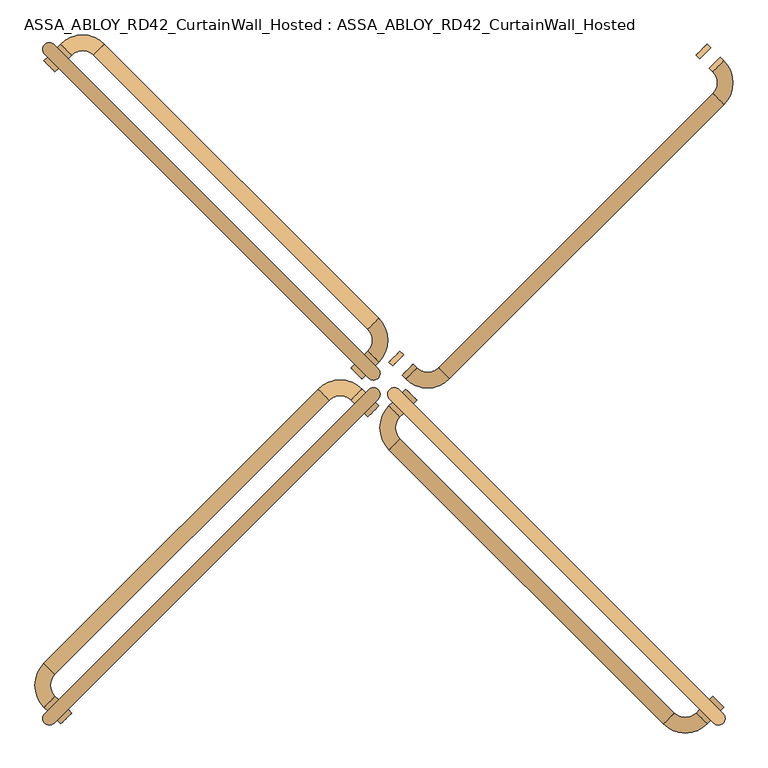
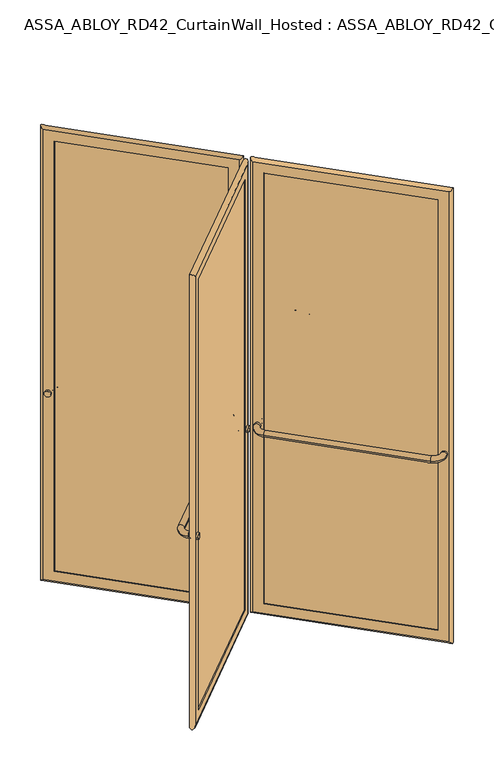
"""IFC4 building model written with IfcOpenShell, lengths in millimetres: door geometry, ASSA_ABLOY_RD42_CurtainWall_Hosted : ASSA_ABLOY_RD42_CurtainWall_Hosted."""

from ifc_helpers import new_model, si_unit, point, frame, origin, origin_2d, place, context, project, spatial, polyline, circle_curve, ellipse_curve, trimmed, segment, composite_curve, outline, extrude, source, transform, mapped, element, save
from ifc_brep_helpers import plane_surface, cylinder_surface, revolved_surface, advanced_brep


def assa_abloy_rd42_curtainwall_hosted_assa_abloy_rd42_9435c543(model_context):
    return source(origin(), model_context, "Body", "SolidModel", [
        extrude(outline(composite_curve([segment(trimmed(circle_curve(origin_2d(), 15.0), [point((0.0, 15.0))], [point((0.0, -15.0))], False, "CARTESIAN"), True, "CONTINUOUS"), segment(trimmed(circle_curve(origin_2d(), 15.0), [point((0.0, -15.0))], [point((0.0, 15.0))], False, "CARTESIAN"), True, "CONTINUOUS")], self_intersect=False)), frame((642.0529573, -623.668181, 1050.0), z_axis=(0.7071067811865496, 0.7071067811865455, 0.0), x_axis=(0.0, 0.0, 1.0)), (0.0, 0.0, 1.0), 10.0),
        extrude(outline(composite_curve([segment(trimmed(circle_curve(origin_2d(), 15.0), [point((0.0, 15.0))], [point((0.0, -15.0))], False, "CARTESIAN"), True, "CONTINUOUS"), segment(trimmed(circle_curve(origin_2d(), 15.0), [point((0.0, -15.0))], [point((0.0, 15.0))], False, "CARTESIAN"), True, "CONTINUOUS")], self_intersect=False)), frame((45.9619408, -27.5771645, 1050.0), z_axis=(0.7071067811865496, 0.7071067811865455, 0.0), x_axis=(0.0, 0.0, 1.0)), (0.0, 0.0, 1.0), 10.0),
        advanced_brep(
        [(16.9705627, -35.3553391, 1050.0), (38.1837662, -56.5685425, 1050.0), (9.8994949, -42.4264069, 1050.0), (31.1126984, -63.6396103, 1050.0), (31.1126984, -106.0660172, 1050.0), (9.8994949, -127.2792206, 1050.0), (542.3509012, -659.7306268, 1050.0), (563.5641046, -638.5174234, 1050.0), (605.9905115, -638.5174234, 1050.0), (627.2037149, -659.7306268, 1050.0), (634.2747827, -652.659559, 1050.0), (613.0615793, -631.4463556, 1050.0)],
        [
            (0, 1, circle_curve(frame((27.5771645, -45.9619408, 1050.0), z_axis=(0.7071067811865497, 0.7071067811865456, 0.0), x_axis=(0.7071067811865456, -0.7071067811865497, 0.0)), 15.0)),
            (1, 0, circle_curve(frame((27.5771645, -45.9619408, 1050.0), z_axis=(0.7071067811865497, 0.7071067811865456, 0.0), x_axis=(0.7071067811865456, -0.7071067811865497, 0.0)), 15.0)),
            (0, 2),
            (2, 3, circle_curve(frame((20.5060967, -53.0330086, 1050.0), z_axis=(0.7071067811865497, 0.7071067811865456, 0.0), x_axis=(0.7071067811865456, -0.7071067811865497, 0.0)), 15.0)),
            (3, 1),
            (3, 2, circle_curve(frame((20.5060967, -53.0330086, 1050.0), z_axis=(0.7071067811865497, 0.7071067811865456, 0.0), x_axis=(0.7071067811865456, -0.7071067811865497, 0.0)), 15.0)),
            (4, 3, circle_curve(frame((52.3259018, -84.8528137, 1050.0), z_axis=(0.0, 0.0, -1.0), x_axis=(-0.707106781186541, 0.7071067811865542, 0.0)), 30.0)),
            (2, 5, circle_curve(frame((52.3259018, -84.8528137, 1050.0), z_axis=(0.0, 0.0, 1.0), x_axis=(-0.707106781186541, 0.7071067811865542, 0.0)), 60.0)),
            (5, 4, circle_curve(frame((20.5060967, -116.6726189, 1050.0), z_axis=(-0.7071067811865127, 0.7071067811865825, 0.0), x_axis=(0.7071067811865825, 0.7071067811865127, 0.0)), 15.0)),
            (4, 5, circle_curve(frame((20.5060967, -116.6726189, 1050.0), z_axis=(-0.707106781186487, 0.7071067811866083, 0.0), x_axis=(0.7071067811866083, 0.707106781186487, 0.0)), 15.0)),
            (5, 6),
            (6, 7, circle_curve(frame((552.9575029, -649.1240251, 1050.0), z_axis=(-0.7071067811865456, 0.7071067811865497, 0.0), x_axis=(0.7071067811865497, 0.7071067811865456, 0.0)), 15.0)),
            (7, 4),
            (7, 6, circle_curve(frame((552.9575029, -649.1240251, 1050.0), z_axis=(-0.7071067811865456, 0.7071067811865497, 0.0), x_axis=(0.7071067811865497, 0.7071067811865456, 0.0)), 15.0)),
            (8, 7, circle_curve(frame((584.777308, -617.30422, 1050.0), z_axis=(0.0, 0.0, -1.0), x_axis=(-0.7071067811865539, -0.7071067811865414, 0.0)), 30.0)),
            (6, 9, circle_curve(frame((584.777308, -617.30422, 1050.0), z_axis=(0.0, 0.0, 1.0), x_axis=(-0.7071067811865539, -0.7071067811865414, 0.0)), 60.0)),
            (9, 8, circle_curve(frame((616.5971132, -649.1240251, 1050.0), z_axis=(-0.7071067811865512, -0.707106781186544, 0.0), x_axis=(-0.707106781186544, 0.7071067811865512, 0.0)), 15.0)),
            (8, 9, circle_curve(frame((616.5971132, -649.1240251, 1050.0), z_axis=(-0.707106781186553, -0.7071067811865422, 0.0), x_axis=(-0.7071067811865422, 0.707106781186553, 0.0)), 15.0)),
            (10, 11, circle_curve(frame((623.668181, -642.0529573, 1050.0), z_axis=(0.7071067811865497, 0.7071067811865456, 0.0), x_axis=(-0.7071067811865456, 0.7071067811865497, 0.0)), 15.0)),
            (11, 10, circle_curve(frame((623.668181, -642.0529573, 1050.0), z_axis=(0.7071067811865497, 0.7071067811865456, 0.0), x_axis=(-0.7071067811865456, 0.7071067811865497, 0.0)), 15.0)),
            (9, 10),
            (11, 8),
        ],
        [
            plane_surface(frame((27.5771645, -45.9619408, 1050.0), z_axis=(0.7071067811865496, 0.7071067811865455, 0.0), x_axis=(0.0, 0.0, 1.0))),
            cylinder_surface(frame((27.5771645, -45.9619408, 1050.0), z_axis=(0.7071067811865497, 0.7071067811865456, 0.0), x_axis=(0.7071067811865456, -0.7071067811865497, 0.0)), 15.0),
            revolved_surface(trimmed(ellipse_curve(frame((20.5060967, -53.0330086, 1050.0), z_axis=(0.7071067811865542, 0.707106781186541, 0.0), x_axis=(0.707106781186541, -0.7071067811865542, 0.0)), 15.0, 15.0), [point((9.8994949, -42.4264069, 1050.0))], [point((31.1126984, -63.6396103, 1050.0))], True, "CARTESIAN"), (52.3259018, -84.8528137, 1050.0), (0.0, 0.0, 1.0)),
            revolved_surface(trimmed(ellipse_curve(frame((20.5060967, -53.0330086, 1050.0), z_axis=(0.7071067811865542, 0.707106781186541, 0.0), x_axis=(0.707106781186541, -0.7071067811865542, 0.0)), 15.0, 15.0), [point((31.1126984, -63.6396103, 1050.0))], [point((9.8994949, -42.4264069, 1050.0))], True, "CARTESIAN"), (52.3259018, -84.8528137, 1050.0), (0.0, 0.0, 1.0)),
            cylinder_surface(frame((20.5060967, -116.6726189, 1050.0), z_axis=(-0.7071067811865456, 0.7071067811865497, 0.0), x_axis=(0.7071067811865497, 0.7071067811865456, 0.0)), 15.0),
            revolved_surface(trimmed(ellipse_curve(frame((552.9575029, -649.1240251, 1050.0), z_axis=(-0.7071067811865414, 0.7071067811865539, 0.0), x_axis=(0.7071067811865539, 0.7071067811865414, 0.0)), 15.0, 15.0), [point((542.3509012, -659.7306268, 1050.0))], [point((563.5641046, -638.5174234, 1050.0))], True, "CARTESIAN"), (584.777308, -617.30422, 1050.0), (0.0, 0.0, 1.0)),
            revolved_surface(trimmed(ellipse_curve(frame((552.9575029, -649.1240251, 1050.0), z_axis=(-0.7071067811865414, 0.7071067811865539, 0.0), x_axis=(0.7071067811865539, 0.7071067811865414, 0.0)), 15.0, 15.0), [point((563.5641046, -638.5174234, 1050.0))], [point((542.3509012, -659.7306268, 1050.0))], True, "CARTESIAN"), (584.777308, -617.30422, 1050.0), (0.0, 0.0, 1.0)),
            plane_surface(frame((623.668181, -642.0529573, 1050.0), z_axis=(0.7071067811865496, 0.7071067811865455, 0.0), x_axis=(0.0, 0.0, 1.0))),
            cylinder_surface(frame((616.5971132, -649.1240251, 1050.0), z_axis=(-0.7071067811865497, -0.7071067811865456, 0.0), x_axis=(-0.7071067811865456, 0.7071067811865497, 0.0)), 15.0),
        ],
        [
            (0, [[1, 2]]),
            (1, [[-1, 3, 4, 5]]),
            (1, [[-2, -5, 6, -3]]),
            (2, [[7, -4, 8, 9]]),
            (3, [[-8, -6, -7, 10]]),
            (4, [[-9, 11, 12, 13]]),
            (4, [[-10, -13, 14, -11]]),
            (5, [[15, -12, 16, 17]]),
            (6, [[-16, -14, -15, 18]]),
            (7, [[19, 20]]),
            (8, [[-17, 21, -20, 22]]),
            (8, [[-18, -22, -19, -21]]),
        ],
    ),
        advanced_brep(
        [(605.2834047, -619.4255403, 105.0), (603.1620844, -621.5468607, 105.0), (603.1620844, -621.5468607, 2395.0), (605.2834047, -619.4255403, 2395.0), (633.5676759, -619.4255403, 85.0), (619.4255403, -633.5676759, 85.0), (619.4255403, -633.5676759, 2415.0), (633.5676759, -619.4255403, 2415.0), (621.5468607, -603.1620844, 105.0), (619.4255403, -605.2834047, 105.0), (619.4255403, -605.2834047, 2395.0), (621.5468607, -603.1620844, 2395.0), (639.931637, -658.3164133, 53.0), (658.3164133, -639.931637, 53.0), (658.3164133, -639.931637, 2447.0), (639.931637, -658.3164133, 2447.0), (48.0832611, -66.4680374, 2395.0), (50.2045815, -64.3467171, 2395.0), (36.0624458, -50.2045815, 2415.0), (50.2045815, -36.0624458, 2415.0), (64.3467171, -50.2045815, 2395.0), (66.4680374, -48.0832611, 2395.0), (29.6984848, -11.3137085, 2447.0), (11.3137085, -29.6984848, 2447.0), (48.0832611, -66.4680374, 105.0), (50.2045815, -64.3467171, 105.0), (36.0624458, -50.2045815, 85.0), (50.2045815, -36.0624458, 85.0), (64.3467171, -50.2045815, 105.0), (66.4680374, -48.0832611, 105.0), (29.6984848, -11.3137085, 53.0), (11.3137085, -29.6984848, 53.0)],
        [
            (0, 1),
            (1, 2),
            (2, 3),
            (3, 0),
            (4, 5),
            (5, 6),
            (6, 7),
            (7, 4),
            (8, 9),
            (9, 10),
            (10, 11),
            (11, 8),
            (12, 13, ellipse_curve(frame((649.1240251, -649.1240251, 53.0), z_axis=(0.4999999999999917, -0.5000000000000084, 0.7071067811865475), x_axis=(0.5000000000000054, -0.4999999999999945, -0.7071067811865476)), 18.3847763, 13.0)),
            (13, 14),
            (14, 15, ellipse_curve(frame((649.1240251, -649.1240251, 2447.0), z_axis=(0.5000000000000054, -0.49999999999999456, -0.7071067811865475), x_axis=(-0.4999999999999915, 0.5000000000000083, -0.7071067811865476)), 18.3847763, 13.0)),
            (15, 12),
            (2, 16),
            (16, 17),
            (17, 3),
            (6, 18),
            (18, 19),
            (19, 7),
            (10, 20),
            (20, 21),
            (21, 11),
            (14, 22),
            (22, 23, ellipse_curve(frame((20.5060967, -20.5060967, 2447.0), z_axis=(0.4999999999999917, -0.5000000000000084, 0.7071067811865475), x_axis=(0.5000000000000054, -0.4999999999999945, -0.7071067811865476)), 18.3847763, 13.0)),
            (23, 15),
            (16, 24),
            (24, 25),
            (25, 17),
            (18, 26),
            (26, 27),
            (27, 19),
            (20, 28),
            (28, 29),
            (29, 21),
            (22, 30),
            (30, 31, ellipse_curve(frame((20.5060967, -20.5060967, 53.0), z_axis=(-0.5000000000000054, 0.49999999999999456, 0.7071067811865475), x_axis=(0.4999999999999915, -0.5000000000000083, 0.7071067811865476)), 18.3847763, 13.0)),
            (31, 23),
            (24, 1),
            (0, 25),
            (5, 26),
            (4, 27),
            (9, 28),
            (8, 29),
            (13, 30),
            (12, 31),
        ],
        [
            plane_surface(frame((603.1620844, -621.5468607, 105.0), z_axis=(-0.7071067811865437, 0.7071067811865513, 0.0), x_axis=(0.0, 0.0, 1.0))),
            plane_surface(frame((619.4255403, -633.5676759, 85.0), z_axis=(-0.7071067811865452, 0.7071067811865498, 0.0), x_axis=(0.0, 0.0, 1.0))),
            plane_surface(frame((619.4255403, -605.2834047, 105.0), z_axis=(-0.7071067811865437, 0.7071067811865513, 0.0), x_axis=(0.0, 0.0, 1.0))),
            cylinder_surface(frame((649.1240251, -649.1240251, 40.0), z_axis=(0.0, 0.0, -1.0), x_axis=(-0.7071067811865456, 0.7071067811865497, 0.0)), 13.0),
            plane_surface(frame((603.1620844, -621.5468607, 2395.0), z_axis=(0.0, 0.0, -1.0), x_axis=(-0.7071067811865455, 0.7071067811865496, 0.0))),
            plane_surface(frame((619.4255403, -633.5676759, 2415.0), z_axis=(0.0, 0.0, -1.0), x_axis=(-0.7071067811865455, 0.7071067811865496, 0.0))),
            plane_surface(frame((619.4255403, -605.2834047, 2395.0), z_axis=(0.0, 0.0, -1.0), x_axis=(-0.7071067811865455, 0.7071067811865496, 0.0))),
            cylinder_surface(frame((658.3164133, -658.3164133, 2447.0), z_axis=(0.7071067811865456, -0.7071067811865497, 0.0), x_axis=(0.0, 0.0, -1.0)), 13.0),
            plane_surface(frame((48.0832611, -66.4680374, 2395.0), z_axis=(0.7071067811865472, -0.7071067811865478, 0.0), x_axis=(0.0, 0.0, -1.0))),
            plane_surface(frame((36.0624458, -50.2045815, 2415.0), z_axis=(0.7071067811865457, -0.7071067811865493, 0.0), x_axis=(0.0, 0.0, -1.0))),
            plane_surface(frame((64.3467171, -50.2045815, 2395.0), z_axis=(0.7071067811865472, -0.7071067811865478, 0.0), x_axis=(0.0, 0.0, -1.0))),
            cylinder_surface(frame((20.5060967, -20.5060967, 2460.0), z_axis=(0.0, 0.0, 1.0), x_axis=(0.7071067811865456, -0.7071067811865497, 0.0)), 13.0),
            plane_surface(frame((48.0832611, -66.4680374, 105.0), z_axis=(0.0, 0.0, 1.0), x_axis=(0.7071067811865455, -0.7071067811865496, 0.0))),
            plane_surface(frame((50.2045815, -64.3467171, 105.0), z_axis=(0.7071067811865496, 0.7071067811865455, 0.0), x_axis=(0.7071067811865455, -0.7071067811865496, 0.0))),
            plane_surface(frame((36.0624458, -50.2045815, 85.0), z_axis=(0.0, 0.0, 1.0), x_axis=(0.7071067811865455, -0.7071067811865496, 0.0))),
            plane_surface(frame((50.2045815, -36.0624458, 85.0), z_axis=(-0.7071067811865496, -0.7071067811865455, 0.0), x_axis=(0.7071067811865455, -0.7071067811865496, 0.0))),
            plane_surface(frame((64.3467171, -50.2045815, 105.0), z_axis=(0.0, 0.0, 1.0), x_axis=(0.7071067811865455, -0.7071067811865496, 0.0))),
            plane_surface(frame((66.4680374, -48.0832611, 105.0), z_axis=(0.7071067811865496, 0.7071067811865455, 0.0), x_axis=(0.7071067811865455, -0.7071067811865496, 0.0))),
            cylinder_surface(frame((11.3137085, -11.3137085, 53.0), z_axis=(-0.7071067811865456, 0.7071067811865497, 0.0), x_axis=(0.0, 0.0, 1.0)), 13.0),
            plane_surface(frame((11.3137085, -29.6984848, 53.0), z_axis=(-0.7071067811865496, -0.7071067811865455, 0.0), x_axis=(0.7071067811865455, -0.7071067811865496, 0.0))),
        ],
        [
            (0, [[1, 2, 3, 4]]),
            (1, [[5, 6, 7, 8]]),
            (2, [[9, 10, 11, 12]]),
            (3, [[13, 14, 15, 16]]),
            (4, [[-3, 17, 18, 19]]),
            (5, [[-7, 20, 21, 22]]),
            (6, [[-11, 23, 24, 25]]),
            (7, [[-15, 26, 27, 28]]),
            (8, [[-18, 29, 30, 31]]),
            (9, [[-21, 32, 33, 34]]),
            (10, [[-24, 35, 36, 37]]),
            (11, [[-27, 38, 39, 40]]),
            (12, [[-30, 41, -1, 42]]),
            (13, [[43, -32, -20, -6], [-19, -31, -42, -4]]),
            (14, [[-33, -43, -5, 44]]),
            (15, [[-22, -34, -44, -8], [45, -35, -23, -10]]),
            (16, [[-36, -45, -9, 46]]),
            (17, [[47, -38, -26, -14], [-25, -37, -46, -12]]),
            (18, [[-39, -47, -13, 48]]),
            (19, [[-28, -40, -48, -16], [-41, -29, -17, -2]]),
        ],
    ),
        extrude(outline(polyline([(630.032142, -622.9610742), (622.9610742, -630.032142), (39.5979797, -46.6690476), (46.6690476, -39.5979797), (630.032142, -622.9610742)])), frame((0.0, 0.0, 85.0), z_axis=(0.0, 0.0, 1.0), x_axis=(1.0, 0.0, 0.0)), (0.0, 0.0, 1.0), 2330.0),
        extrude(outline(composite_curve([segment(trimmed(circle_curve(origin_2d(), 15.0), [point((0.0, -15.0))], [point((0.0, 15.0))], False, "CARTESIAN"), True, "CONTINUOUS"), segment(trimmed(circle_curve(origin_2d(), 15.0), [point((0.0, 15.0))], [point((0.0, -15.0))], False, "CARTESIAN"), True, "CONTINUOUS")], self_intersect=False)), frame((-616.5971132, -649.1240251, 1050.0), z_axis=(-0.7071067811865447, 0.7071067811865503, 0.0), x_axis=(0.0, 0.0, 1.0)), (0.0, 0.0, 1.0), 10.0),
        extrude(outline(composite_curve([segment(trimmed(circle_curve(origin_2d(), 15.0), [point((0.0, -15.0))], [point((0.0, 15.0))], False, "CARTESIAN"), True, "CONTINUOUS"), segment(trimmed(circle_curve(origin_2d(), 15.0), [point((0.0, 15.0))], [point((0.0, -15.0))], False, "CARTESIAN"), True, "CONTINUOUS")], self_intersect=False)), frame((-20.5060967, -53.0330086, 1050.0), z_axis=(-0.7071067811865447, 0.7071067811865503, 0.0), x_axis=(0.0, 0.0, 1.0)), (0.0, 0.0, 1.0), 10.0),
        advanced_brep(
        [(-35.3553391, -16.9705627, 1050.0), (-56.5685425, -38.1837662, 1050.0), (-42.4264069, -9.8994949, 1050.0), (-63.6396103, -31.1126984, 1050.0), (-106.0660172, -31.1126984, 1050.0), (-127.2792206, -9.8994949, 1050.0), (-659.7306268, -542.3509012, 1050.0), (-638.5174234, -563.5641046, 1050.0), (-638.5174234, -605.9905115, 1050.0), (-659.7306268, -627.2037149, 1050.0), (-652.659559, -634.2747827, 1050.0), (-631.4463556, -613.0615793, 1050.0)],
        [
            (0, 1, circle_curve(frame((-45.9619408, -27.5771645, 1050.0), z_axis=(0.7071067811865447, -0.7071067811865503, 0.0), x_axis=(-0.7071067811865503, -0.7071067811865447, 0.0)), 15.0)),
            (1, 0, circle_curve(frame((-45.9619408, -27.5771645, 1050.0), z_axis=(0.7071067811865447, -0.7071067811865503, 0.0), x_axis=(-0.7071067811865503, -0.7071067811865447, 0.0)), 15.0)),
            (0, 2),
            (2, 3, circle_curve(frame((-53.0330086, -20.5060967, 1050.0), z_axis=(0.7071067811865447, -0.7071067811865503, 0.0), x_axis=(-0.7071067811865503, -0.7071067811865447, 0.0)), 15.0)),
            (3, 1),
            (3, 2, circle_curve(frame((-53.0330086, -20.5060967, 1050.0), z_axis=(0.7071067811865447, -0.7071067811865503, 0.0), x_axis=(-0.7071067811865503, -0.7071067811865447, 0.0)), 15.0)),
            (4, 3, circle_curve(frame((-84.8528137, -52.3259018, 1050.0), z_axis=(0.0, 0.0, -1.0), x_axis=(0.7071067811865549, 0.7071067811865401, 0.0)), 30.0)),
            (2, 5, circle_curve(frame((-84.8528137, -52.3259018, 1050.0), z_axis=(0.0, 0.0, 1.0), x_axis=(0.7071067811865549, 0.7071067811865401, 0.0)), 60.0)),
            (5, 4, circle_curve(frame((-116.6726189, -20.5060967, 1050.0), z_axis=(0.7071067811865832, 0.7071067811865118, 0.0), x_axis=(0.7071067811865118, -0.7071067811865832, 0.0)), 15.0)),
            (4, 5, circle_curve(frame((-116.6726189, -20.5060967, 1050.0), z_axis=(0.707106781186609, 0.7071067811864861, 0.0), x_axis=(0.7071067811864861, -0.707106781186609, 0.0)), 15.0)),
            (5, 6),
            (6, 7, circle_curve(frame((-649.1240251, -552.9575029, 1050.0), z_axis=(0.7071067811865503, 0.7071067811865447, 0.0), x_axis=(0.7071067811865447, -0.7071067811865503, 0.0)), 15.0)),
            (7, 4),
            (7, 6, circle_curve(frame((-649.1240251, -552.9575029, 1050.0), z_axis=(0.7071067811865503, 0.7071067811865447, 0.0), x_axis=(0.7071067811865447, -0.7071067811865503, 0.0)), 15.0)),
            (8, 7, circle_curve(frame((-617.30422, -584.777308, 1050.0), z_axis=(0.0, 0.0, -1.0), x_axis=(-0.7071067811865405, 0.7071067811865546, 0.0)), 30.0)),
            (6, 9, circle_curve(frame((-617.30422, -584.777308, 1050.0), z_axis=(0.0, 0.0, 1.0), x_axis=(-0.7071067811865405, 0.7071067811865546, 0.0)), 60.0)),
            (9, 8, circle_curve(frame((-649.1240251, -616.5971132, 1050.0), z_axis=(-0.7071067811865431, 0.7071067811865519, 0.0), x_axis=(0.7071067811865519, 0.7071067811865431, 0.0)), 15.0)),
            (8, 9, circle_curve(frame((-649.1240251, -616.5971132, 1050.0), z_axis=(-0.7071067811865414, 0.7071067811865537, 0.0), x_axis=(0.7071067811865537, 0.7071067811865414, 0.0)), 15.0)),
            (10, 11, circle_curve(frame((-642.0529573, -623.668181, 1050.0), z_axis=(0.7071067811865447, -0.7071067811865503, 0.0), x_axis=(0.7071067811865503, 0.7071067811865447, 0.0)), 15.0)),
            (11, 10, circle_curve(frame((-642.0529573, -623.668181, 1050.0), z_axis=(0.7071067811865447, -0.7071067811865503, 0.0), x_axis=(0.7071067811865503, 0.7071067811865447, 0.0)), 15.0)),
            (9, 10),
            (11, 8),
        ],
        [
            plane_surface(frame((-45.9619408, -27.5771645, 1050.0), z_axis=(0.7071067811865447, -0.7071067811865503, 0.0), x_axis=(0.0, 0.0, 1.0))),
            cylinder_surface(frame((-45.9619408, -27.5771645, 1050.0), z_axis=(0.7071067811865447, -0.7071067811865503, 0.0), x_axis=(-0.7071067811865503, -0.7071067811865447, 0.0)), 15.0),
            revolved_surface(trimmed(ellipse_curve(frame((-53.0330086, -20.5060967, 1050.0), z_axis=(0.7071067811865401, -0.7071067811865549, 0.0), x_axis=(-0.7071067811865549, -0.7071067811865401, 0.0)), 15.0, 15.0), [point((-42.4264069, -9.8994949, 1050.0))], [point((-63.6396103, -31.1126984, 1050.0))], True, "CARTESIAN"), (-84.8528137, -52.3259018, 1050.0), (0.0, 0.0, 1.0)),
            revolved_surface(trimmed(ellipse_curve(frame((-53.0330086, -20.5060967, 1050.0), z_axis=(0.7071067811865401, -0.7071067811865549, 0.0), x_axis=(-0.7071067811865549, -0.7071067811865401, 0.0)), 15.0, 15.0), [point((-63.6396103, -31.1126984, 1050.0))], [point((-42.4264069, -9.8994949, 1050.0))], True, "CARTESIAN"), (-84.8528137, -52.3259018, 1050.0), (0.0, 0.0, 1.0)),
            cylinder_surface(frame((-116.6726189, -20.5060967, 1050.0), z_axis=(0.7071067811865503, 0.7071067811865447, 0.0), x_axis=(0.7071067811865447, -0.7071067811865503, 0.0)), 15.0),
            revolved_surface(trimmed(ellipse_curve(frame((-649.1240251, -552.9575029, 1050.0), z_axis=(0.7071067811865546, 0.7071067811865405, 0.0), x_axis=(0.7071067811865405, -0.7071067811865546, 0.0)), 15.0, 15.0), [point((-659.7306268, -542.3509012, 1050.0))], [point((-638.5174234, -563.5641046, 1050.0))], True, "CARTESIAN"), (-617.30422, -584.777308, 1050.0), (0.0, 0.0, 1.0)),
            revolved_surface(trimmed(ellipse_curve(frame((-649.1240251, -552.9575029, 1050.0), z_axis=(0.7071067811865546, 0.7071067811865405, 0.0), x_axis=(0.7071067811865405, -0.7071067811865546, 0.0)), 15.0, 15.0), [point((-638.5174234, -563.5641046, 1050.0))], [point((-659.7306268, -542.3509012, 1050.0))], True, "CARTESIAN"), (-617.30422, -584.777308, 1050.0), (0.0, 0.0, 1.0)),
            plane_surface(frame((-642.0529573, -623.668181, 1050.0), z_axis=(0.7071067811865447, -0.7071067811865503, 0.0), x_axis=(0.0, 0.0, 1.0))),
            cylinder_surface(frame((-649.1240251, -616.5971132, 1050.0), z_axis=(-0.7071067811865447, 0.7071067811865503, 0.0), x_axis=(0.7071067811865503, 0.7071067811865447, 0.0)), 15.0),
        ],
        [
            (0, [[1, 2]]),
            (1, [[-1, 3, 4, 5]]),
            (1, [[-2, -5, 6, -3]]),
            (2, [[7, -4, 8, 9]]),
            (3, [[-8, -6, -7, 10]]),
            (4, [[-9, 11, 12, 13]]),
            (4, [[-10, -13, 14, -11]]),
            (5, [[15, -12, 16, 17]]),
            (6, [[-16, -14, -15, 18]]),
            (7, [[19, 20]]),
            (8, [[-17, 21, -20, 22]]),
            (8, [[-18, -22, -19, -21]]),
        ],
    ),
        advanced_brep(
        [(-619.4255403, -605.2834047, 105.0), (-621.5468607, -603.1620844, 105.0), (-621.5468607, -603.1620844, 2395.0), (-619.4255403, -605.2834047, 2395.0), (-619.4255403, -633.5676759, 85.0), (-633.5676759, -619.4255403, 85.0), (-633.5676759, -619.4255403, 2415.0), (-619.4255403, -633.5676759, 2415.0), (-603.1620844, -621.5468607, 105.0), (-605.2834047, -619.4255403, 105.0), (-605.2834047, -619.4255403, 2395.0), (-603.1620844, -621.5468607, 2395.0), (-658.3164133, -639.931637, 53.0), (-639.931637, -658.3164133, 53.0), (-639.931637, -658.3164133, 2447.0), (-658.3164133, -639.931637, 2447.0), (-66.4680374, -48.0832611, 2395.0), (-64.3467171, -50.2045815, 2395.0), (-50.2045815, -36.0624458, 2415.0), (-36.0624458, -50.2045815, 2415.0), (-50.2045815, -64.3467171, 2395.0), (-48.0832611, -66.4680374, 2395.0), (-11.3137085, -29.6984848, 2447.0), (-29.6984848, -11.3137085, 2447.0), (-66.4680374, -48.0832611, 105.0), (-64.3467171, -50.2045815, 105.0), (-50.2045815, -36.0624458, 85.0), (-36.0624458, -50.2045815, 85.0), (-50.2045815, -64.3467171, 105.0), (-48.0832611, -66.4680374, 105.0), (-11.3137085, -29.6984848, 53.0), (-29.6984848, -11.3137085, 53.0)],
        [
            (0, 1),
            (1, 2),
            (2, 3),
            (3, 0),
            (4, 5),
            (5, 6),
            (6, 7),
            (7, 4),
            (8, 9),
            (9, 10),
            (10, 11),
            (11, 8),
            (12, 13, ellipse_curve(frame((-649.1240251, -649.1240251, 53.0), z_axis=(-0.5000000000000089, -0.49999999999999106, 0.7071067811865475), x_axis=(-0.49999999999999495, -0.5000000000000048, -0.7071067811865476)), 18.3847763, 13.0)),
            (13, 14),
            (14, 15, ellipse_curve(frame((-649.1240251, -649.1240251, 2447.0), z_axis=(-0.49999999999999506, -0.5000000000000049, -0.7071067811865475), x_axis=(0.5000000000000088, 0.49999999999999095, -0.7071067811865476)), 18.3847763, 13.0)),
            (15, 12),
            (2, 16),
            (16, 17),
            (17, 3),
            (6, 18),
            (18, 19),
            (19, 7),
            (10, 20),
            (20, 21),
            (21, 11),
            (14, 22),
            (22, 23, ellipse_curve(frame((-20.5060967, -20.5060967, 2447.0), z_axis=(-0.5000000000000089, -0.49999999999999106, 0.7071067811865475), x_axis=(-0.4999999999999951, -0.5000000000000049, -0.7071067811865474)), 18.3847763, 13.0)),
            (23, 15),
            (16, 24),
            (24, 25),
            (25, 17),
            (18, 26),
            (26, 27),
            (27, 19),
            (20, 28),
            (28, 29),
            (29, 21),
            (22, 30),
            (30, 31, ellipse_curve(frame((-20.5060967, -20.5060967, 53.0), z_axis=(0.49999999999999506, 0.5000000000000049, 0.7071067811865475), x_axis=(-0.5000000000000088, -0.49999999999999095, 0.7071067811865476)), 18.3847763, 13.0)),
            (31, 23),
            (24, 1),
            (0, 25),
            (5, 26),
            (4, 27),
            (9, 28),
            (8, 29),
            (13, 30),
            (12, 31),
        ],
        [
            plane_surface(frame((-621.5468607, -603.1620844, 105.0), z_axis=(0.7071067811865521, 0.7071067811865429, 0.0), x_axis=(0.0, 0.0, 1.0))),
            plane_surface(frame((-633.5676759, -619.4255403, 85.0), z_axis=(0.7071067811865506, 0.7071067811865445, 0.0), x_axis=(0.0, 0.0, 1.0))),
            plane_surface(frame((-605.2834047, -619.4255403, 105.0), z_axis=(0.7071067811865521, 0.7071067811865429, 0.0), x_axis=(0.0, 0.0, 1.0))),
            cylinder_surface(frame((-649.1240251, -649.1240251, 40.0), z_axis=(0.0, 0.0, -1.0), x_axis=(0.7071067811865503, 0.7071067811865447, 0.0)), 13.0),
            plane_surface(frame((-621.5468607, -603.1620844, 2395.0), z_axis=(0.0, 0.0, -1.0), x_axis=(0.7071067811865503, 0.7071067811865447, 0.0))),
            plane_surface(frame((-633.5676759, -619.4255403, 2415.0), z_axis=(0.0, 0.0, -1.0), x_axis=(0.7071067811865503, 0.7071067811865447, 0.0))),
            plane_surface(frame((-605.2834047, -619.4255403, 2395.0), z_axis=(0.0, 0.0, -1.0), x_axis=(0.7071067811865503, 0.7071067811865447, 0.0))),
            cylinder_surface(frame((-658.3164133, -658.3164133, 2447.0), z_axis=(-0.7071067811865503, -0.7071067811865447, 0.0), x_axis=(0.0, 0.0, -1.0)), 13.0),
            plane_surface(frame((-66.4680374, -48.0832611, 2395.0), z_axis=(-0.7071067811865486, -0.7071067811865465, 0.0), x_axis=(0.0, 0.0, -1.0))),
            plane_surface(frame((-50.2045815, -36.0624458, 2415.0), z_axis=(-0.7071067811865501, -0.7071067811865449, 0.0), x_axis=(0.0, 0.0, -1.0))),
            plane_surface(frame((-50.2045815, -64.3467171, 2395.0), z_axis=(-0.7071067811865486, -0.7071067811865465, 0.0), x_axis=(0.0, 0.0, -1.0))),
            cylinder_surface(frame((-20.5060967, -20.5060967, 2460.0), z_axis=(0.0, 0.0, 1.0), x_axis=(-0.7071067811865503, -0.7071067811865447, 0.0)), 13.0),
            plane_surface(frame((-66.4680374, -48.0832611, 105.0), z_axis=(0.0, 0.0, 1.0), x_axis=(-0.7071067811865503, -0.7071067811865447, 0.0))),
            plane_surface(frame((-64.3467171, -50.2045815, 105.0), z_axis=(0.7071067811865447, -0.7071067811865503, 0.0), x_axis=(-0.7071067811865503, -0.7071067811865447, 0.0))),
            plane_surface(frame((-50.2045815, -36.0624458, 85.0), z_axis=(0.0, 0.0, 1.0), x_axis=(-0.7071067811865503, -0.7071067811865447, 0.0))),
            plane_surface(frame((-36.0624458, -50.2045815, 85.0), z_axis=(-0.7071067811865447, 0.7071067811865503, 0.0), x_axis=(-0.7071067811865503, -0.7071067811865447, 0.0))),
            plane_surface(frame((-50.2045815, -64.3467171, 105.0), z_axis=(0.0, 0.0, 1.0), x_axis=(-0.7071067811865503, -0.7071067811865447, 0.0))),
            plane_surface(frame((-48.0832611, -66.4680374, 105.0), z_axis=(0.7071067811865447, -0.7071067811865503, 0.0), x_axis=(-0.7071067811865503, -0.7071067811865447, 0.0))),
            cylinder_surface(frame((-11.3137085, -11.3137085, 53.0), z_axis=(0.7071067811865503, 0.7071067811865447, 0.0), x_axis=(0.0, 0.0, 1.0)), 13.0),
            plane_surface(frame((-29.6984848, -11.3137085, 53.0), z_axis=(-0.7071067811865447, 0.7071067811865503, 0.0), x_axis=(-0.7071067811865503, -0.7071067811865447, 0.0))),
        ],
        [
            (0, [[1, 2, 3, 4]]),
            (1, [[5, 6, 7, 8]]),
            (2, [[9, 10, 11, 12]]),
            (3, [[13, 14, 15, 16]]),
            (4, [[-3, 17, 18, 19]]),
            (5, [[-7, 20, 21, 22]]),
            (6, [[-11, 23, 24, 25]]),
            (7, [[-15, 26, 27, 28]]),
            (8, [[-18, 29, 30, 31]]),
            (9, [[-21, 32, 33, 34]]),
            (10, [[-24, 35, 36, 37]]),
            (11, [[-27, 38, 39, 40]]),
            (12, [[-30, 41, -1, 42]]),
            (13, [[43, -32, -20, -6], [-19, -31, -42, -4]]),
            (14, [[-33, -43, -5, 44]]),
            (15, [[-22, -34, -44, -8], [45, -35, -23, -10]]),
            (16, [[-36, -45, -9, 46]]),
            (17, [[47, -38, -26, -14], [-25, -37, -46, -12]]),
            (18, [[-39, -47, -13, 48]]),
            (19, [[-28, -40, -48, -16], [-41, -29, -17, -2]]),
        ],
    ),
        extrude(outline(polyline([(-622.9610742, -630.032142), (-630.032142, -622.9610742), (-46.6690476, -39.5979797), (-39.5979797, -46.6690476), (-622.9610742, -630.032142)])), frame((0.0, 0.0, 85.0), z_axis=(0.0, 0.0, 1.0), x_axis=(1.0, 0.0, 0.0)), (0.0, 0.0, 1.0), 2330.0),
        extrude(outline(composite_curve([segment(trimmed(circle_curve(origin_2d(), 15.0), [point((0.0, -15.0))], [point((0.0, 15.0))], False, "CARTESIAN"), True, "CONTINUOUS"), segment(trimmed(circle_curve(origin_2d(), 15.0), [point((0.0, 15.0))], [point((0.0, -15.0))], False, "CARTESIAN"), True, "CONTINUOUS")], self_intersect=False)), frame((-649.1240251, 616.5971132, 1050.0), z_axis=(0.70710678118655, 0.707106781186545, 0.0), x_axis=(0.0, 0.0, 1.0)), (0.0, 0.0, 1.0), 10.0),
        extrude(outline(composite_curve([segment(trimmed(circle_curve(origin_2d(), 15.0), [point((0.0, -15.0))], [point((0.0, 15.0))], False, "CARTESIAN"), True, "CONTINUOUS"), segment(trimmed(circle_curve(origin_2d(), 15.0), [point((0.0, 15.0))], [point((0.0, -15.0))], False, "CARTESIAN"), True, "CONTINUOUS")], self_intersect=False)), frame((-53.0330086, 20.5060967, 1050.0), z_axis=(0.70710678118655, 0.707106781186545, 0.0), x_axis=(0.0, 0.0, 1.0)), (0.0, 0.0, 1.0), 10.0),
        advanced_brep(
        [(-16.9705627, 35.3553391, 1050.0), (-38.1837662, 56.5685425, 1050.0), (-9.8994949, 42.4264069, 1050.0), (-31.1126984, 63.6396103, 1050.0), (-31.1126984, 106.0660172, 1050.0), (-9.8994949, 127.2792206, 1050.0), (-542.3509012, 659.7306268, 1050.0), (-563.5641046, 638.5174234, 1050.0), (-605.9905115, 638.5174234, 1050.0), (-627.2037149, 659.7306268, 1050.0), (-634.2747827, 652.659559, 1050.0), (-613.0615793, 631.4463556, 1050.0)],
        [
            (0, 1, circle_curve(frame((-27.5771645, 45.9619408, 1050.0), z_axis=(-0.70710678118655, -0.707106781186545, 0.0), x_axis=(-0.707106781186545, 0.70710678118655, 0.0)), 15.0)),
            (1, 0, circle_curve(frame((-27.5771645, 45.9619408, 1050.0), z_axis=(-0.70710678118655, -0.707106781186545, 0.0), x_axis=(-0.707106781186545, 0.70710678118655, 0.0)), 15.0)),
            (0, 2),
            (2, 3, circle_curve(frame((-20.5060967, 53.0330086, 1050.0), z_axis=(-0.70710678118655, -0.707106781186545, 0.0), x_axis=(-0.707106781186545, 0.70710678118655, 0.0)), 15.0)),
            (3, 1),
            (3, 2, circle_curve(frame((-20.5060967, 53.0330086, 1050.0), z_axis=(-0.70710678118655, -0.707106781186545, 0.0), x_axis=(-0.707106781186545, 0.70710678118655, 0.0)), 15.0)),
            (4, 3, circle_curve(frame((-52.3259018, 84.8528137, 1050.0), z_axis=(0.0, 0.0, -1.0), x_axis=(0.7071067811865405, -0.7071067811865546, 0.0)), 30.0)),
            (2, 5, circle_curve(frame((-52.3259018, 84.8528137, 1050.0), z_axis=(0.0, 0.0, 1.0), x_axis=(0.7071067811865405, -0.7071067811865546, 0.0)), 60.0)),
            (5, 4, circle_curve(frame((-20.5060967, 116.6726189, 1050.0), z_axis=(0.7071067811865122, -0.7071067811865829, 0.0), x_axis=(-0.7071067811865829, -0.7071067811865122, 0.0)), 15.0)),
            (4, 5, circle_curve(frame((-20.5060967, 116.6726189, 1050.0), z_axis=(0.7071067811864864, -0.7071067811866086, 0.0), x_axis=(-0.7071067811866086, -0.7071067811864864, 0.0)), 15.0)),
            (5, 6),
            (6, 7, circle_curve(frame((-552.9575029, 649.1240251, 1050.0), z_axis=(0.707106781186545, -0.70710678118655, 0.0), x_axis=(-0.70710678118655, -0.707106781186545, 0.0)), 15.0)),
            (7, 4),
            (7, 6, circle_curve(frame((-552.9575029, 649.1240251, 1050.0), z_axis=(0.707106781186545, -0.70710678118655, 0.0), x_axis=(-0.70710678118655, -0.707106781186545, 0.0)), 15.0)),
            (8, 7, circle_curve(frame((-584.777308, 617.30422, 1050.0), z_axis=(0.0, 0.0, -1.0), x_axis=(0.7071067811865543, 0.7071067811865407, 0.0)), 30.0)),
            (6, 9, circle_curve(frame((-584.777308, 617.30422, 1050.0), z_axis=(0.0, 0.0, 1.0), x_axis=(0.7071067811865543, 0.7071067811865407, 0.0)), 60.0)),
            (9, 8, circle_curve(frame((-616.5971132, 649.1240251, 1050.0), z_axis=(0.7071067811865517, 0.7071067811865434, 0.0), x_axis=(0.7071067811865434, -0.7071067811865517, 0.0)), 15.0)),
            (8, 9, circle_curve(frame((-616.5971132, 649.1240251, 1050.0), z_axis=(0.7071067811865535, 0.7071067811865416, 0.0), x_axis=(0.7071067811865416, -0.7071067811865535, 0.0)), 15.0)),
            (10, 11, circle_curve(frame((-623.668181, 642.0529573, 1050.0), z_axis=(-0.70710678118655, -0.707106781186545, 0.0), x_axis=(0.707106781186545, -0.70710678118655, 0.0)), 15.0)),
            (11, 10, circle_curve(frame((-623.668181, 642.0529573, 1050.0), z_axis=(-0.70710678118655, -0.707106781186545, 0.0), x_axis=(0.707106781186545, -0.70710678118655, 0.0)), 15.0)),
            (9, 10),
            (11, 8),
        ],
        [
            plane_surface(frame((-27.5771645, 45.9619408, 1050.0), z_axis=(-0.70710678118655, -0.707106781186545, 0.0), x_axis=(0.0, 0.0, 1.0))),
            cylinder_surface(frame((-27.5771645, 45.9619408, 1050.0), z_axis=(-0.70710678118655, -0.707106781186545, 0.0), x_axis=(-0.707106781186545, 0.70710678118655, 0.0)), 15.0),
            revolved_surface(trimmed(ellipse_curve(frame((-20.5060967, 53.0330086, 1050.0), z_axis=(-0.7071067811865546, -0.7071067811865405, 0.0), x_axis=(-0.7071067811865405, 0.7071067811865546, 0.0)), 15.0, 15.0), [point((-9.8994949, 42.4264069, 1050.0))], [point((-31.1126984, 63.6396103, 1050.0))], True, "CARTESIAN"), (-52.3259018, 84.8528137, 1050.0), (0.0, 0.0, 1.0)),
            revolved_surface(trimmed(ellipse_curve(frame((-20.5060967, 53.0330086, 1050.0), z_axis=(-0.7071067811865546, -0.7071067811865405, 0.0), x_axis=(-0.7071067811865405, 0.7071067811865546, 0.0)), 15.0, 15.0), [point((-31.1126984, 63.6396103, 1050.0))], [point((-9.8994949, 42.4264069, 1050.0))], True, "CARTESIAN"), (-52.3259018, 84.8528137, 1050.0), (0.0, 0.0, 1.0)),
            cylinder_surface(frame((-20.5060967, 116.6726189, 1050.0), z_axis=(0.707106781186545, -0.70710678118655, 0.0), x_axis=(-0.70710678118655, -0.707106781186545, 0.0)), 15.0),
            revolved_surface(trimmed(ellipse_curve(frame((-552.9575029, 649.1240251, 1050.0), z_axis=(0.7071067811865407, -0.7071067811865543, 0.0), x_axis=(-0.7071067811865543, -0.7071067811865407, 0.0)), 15.0, 15.0), [point((-542.3509012, 659.7306268, 1050.0))], [point((-563.5641046, 638.5174234, 1050.0))], True, "CARTESIAN"), (-584.777308, 617.30422, 1050.0), (0.0, 0.0, 1.0)),
            revolved_surface(trimmed(ellipse_curve(frame((-552.9575029, 649.1240251, 1050.0), z_axis=(0.7071067811865407, -0.7071067811865543, 0.0), x_axis=(-0.7071067811865543, -0.7071067811865407, 0.0)), 15.0, 15.0), [point((-563.5641046, 638.5174234, 1050.0))], [point((-542.3509012, 659.7306268, 1050.0))], True, "CARTESIAN"), (-584.777308, 617.30422, 1050.0), (0.0, 0.0, 1.0)),
            plane_surface(frame((-623.668181, 642.0529573, 1050.0), z_axis=(-0.70710678118655, -0.707106781186545, 0.0), x_axis=(0.0, 0.0, 1.0))),
            cylinder_surface(frame((-616.5971132, 649.1240251, 1050.0), z_axis=(0.70710678118655, 0.707106781186545, 0.0), x_axis=(0.707106781186545, -0.70710678118655, 0.0)), 15.0),
        ],
        [
            (0, [[1, 2]]),
            (1, [[-1, 3, 4, 5]]),
            (1, [[-2, -5, 6, -3]]),
            (2, [[7, -4, 8, 9]]),
            (3, [[-8, -6, -7, 10]]),
            (4, [[-9, 11, 12, 13]]),
            (4, [[-10, -13, 14, -11]]),
            (5, [[15, -12, 16, 17]]),
            (6, [[-16, -14, -15, 18]]),
            (7, [[19, 20]]),
            (8, [[-17, 21, -20, 22]]),
            (8, [[-18, -22, -19, -21]]),
        ],
    ),
        advanced_brep(
        [(-605.2834047, 619.4255403, 105.0), (-603.1620844, 621.5468607, 105.0), (-603.1620844, 621.5468607, 2395.0), (-605.2834047, 619.4255403, 2395.0), (-633.5676759, 619.4255403, 85.0), (-619.4255403, 633.5676759, 85.0), (-619.4255403, 633.5676759, 2415.0), (-633.5676759, 619.4255403, 2415.0), (-621.5468607, 603.1620844, 105.0), (-619.4255403, 605.2834047, 105.0), (-619.4255403, 605.2834047, 2395.0), (-621.5468607, 603.1620844, 2395.0), (-639.931637, 658.3164133, 53.0), (-658.3164133, 639.931637, 53.0), (-658.3164133, 639.931637, 2447.0), (-639.931637, 658.3164133, 2447.0), (-48.0832611, 66.4680374, 2395.0), (-50.2045815, 64.3467171, 2395.0), (-36.0624458, 50.2045815, 2415.0), (-50.2045815, 36.0624458, 2415.0), (-64.3467171, 50.2045815, 2395.0), (-66.4680374, 48.0832611, 2395.0), (-29.6984848, 11.3137085, 2447.0), (-11.3137085, 29.6984848, 2447.0), (-48.0832611, 66.4680374, 105.0), (-50.2045815, 64.3467171, 105.0), (-36.0624458, 50.2045815, 85.0), (-50.2045815, 36.0624458, 85.0), (-64.3467171, 50.2045815, 105.0), (-66.4680374, 48.0832611, 105.0), (-29.6984848, 11.3137085, 53.0), (-11.3137085, 29.6984848, 53.0)],
        [
            (0, 1),
            (1, 2),
            (2, 3),
            (3, 0),
            (4, 5),
            (5, 6),
            (6, 7),
            (7, 4),
            (8, 9),
            (9, 10),
            (10, 11),
            (11, 8),
            (12, 13, ellipse_curve(frame((-649.1240251, 649.1240251, 53.0), z_axis=(-0.4999999999999913, 0.5000000000000087, 0.7071067811865475), x_axis=(-0.500000000000005, 0.4999999999999947, -0.7071067811865476)), 18.3847763, 13.0)),
            (13, 14),
            (14, 15, ellipse_curve(frame((-649.1240251, 649.1240251, 2447.0), z_axis=(-0.5000000000000051, 0.4999999999999948, -0.7071067811865475), x_axis=(0.4999999999999912, -0.5000000000000085, -0.7071067811865476)), 18.3847763, 13.0)),
            (15, 12),
            (2, 16),
            (16, 17),
            (17, 3),
            (6, 18),
            (18, 19),
            (19, 7),
            (10, 20),
            (20, 21),
            (21, 11),
            (14, 22),
            (22, 23, ellipse_curve(frame((-20.5060967, 20.5060967, 2447.0), z_axis=(-0.4999999999999913, 0.5000000000000087, 0.7071067811865475), x_axis=(-0.5000000000000052, 0.49999999999999495, -0.7071067811865475)), 18.3847763, 13.0)),
            (23, 15),
            (16, 24),
            (24, 25),
            (25, 17),
            (18, 26),
            (26, 27),
            (27, 19),
            (20, 28),
            (28, 29),
            (29, 21),
            (22, 30),
            (30, 31, ellipse_curve(frame((-20.5060967, 20.5060967, 53.0), z_axis=(0.5000000000000051, -0.4999999999999948, 0.7071067811865475), x_axis=(-0.4999999999999912, 0.5000000000000085, 0.7071067811865476)), 18.3847763, 13.0)),
            (31, 23),
            (24, 1),
            (0, 25),
            (5, 26),
            (4, 27),
            (9, 28),
            (8, 29),
            (13, 30),
            (12, 31),
        ],
        [
            plane_surface(frame((-603.1620844, 621.5468607, 105.0), z_axis=(0.7071067811865432, -0.7071067811865518, 0.0), x_axis=(0.0, 0.0, 1.0))),
            plane_surface(frame((-619.4255403, 633.5676759, 85.0), z_axis=(0.7071067811865448, -0.7071067811865502, 0.0), x_axis=(0.0, 0.0, 1.0))),
            plane_surface(frame((-619.4255403, 605.2834047, 105.0), z_axis=(0.7071067811865432, -0.7071067811865518, 0.0), x_axis=(0.0, 0.0, 1.0))),
            cylinder_surface(frame((-649.1240251, 649.1240251, 40.0), z_axis=(0.0, 0.0, -1.0), x_axis=(0.707106781186545, -0.70710678118655, 0.0)), 13.0),
            plane_surface(frame((-603.1620844, 621.5468607, 2395.0), z_axis=(0.0, 0.0, -1.0), x_axis=(0.707106781186545, -0.70710678118655, 0.0))),
            plane_surface(frame((-619.4255403, 633.5676759, 2415.0), z_axis=(0.0, 0.0, -1.0), x_axis=(0.707106781186545, -0.70710678118655, 0.0))),
            plane_surface(frame((-619.4255403, 605.2834047, 2395.0), z_axis=(0.0, 0.0, -1.0), x_axis=(0.707106781186545, -0.70710678118655, 0.0))),
            cylinder_surface(frame((-658.3164133, 658.3164133, 2447.0), z_axis=(-0.707106781186545, 0.70710678118655, 0.0), x_axis=(0.0, 0.0, -1.0)), 13.0),
            plane_surface(frame((-48.0832611, 66.4680374, 2395.0), z_axis=(-0.7071067811865468, 0.7071067811865482, 0.0), x_axis=(0.0, 0.0, -1.0))),
            plane_surface(frame((-36.0624458, 50.2045815, 2415.0), z_axis=(-0.7071067811865452, 0.7071067811865498, 0.0), x_axis=(0.0, 0.0, -1.0))),
            plane_surface(frame((-64.3467171, 50.2045815, 2395.0), z_axis=(-0.7071067811865468, 0.7071067811865482, 0.0), x_axis=(0.0, 0.0, -1.0))),
            cylinder_surface(frame((-20.5060967, 20.5060967, 2460.0), z_axis=(0.0, 0.0, 1.0), x_axis=(-0.707106781186545, 0.70710678118655, 0.0)), 13.0),
            plane_surface(frame((-48.0832611, 66.4680374, 105.0), z_axis=(0.0, 0.0, 1.0), x_axis=(-0.707106781186545, 0.70710678118655, 0.0))),
            plane_surface(frame((-50.2045815, 64.3467171, 105.0), z_axis=(-0.70710678118655, -0.707106781186545, 0.0), x_axis=(-0.707106781186545, 0.70710678118655, 0.0))),
            plane_surface(frame((-36.0624458, 50.2045815, 85.0), z_axis=(0.0, 0.0, 1.0), x_axis=(-0.707106781186545, 0.70710678118655, 0.0))),
            plane_surface(frame((-50.2045815, 36.0624458, 85.0), z_axis=(0.70710678118655, 0.707106781186545, 0.0), x_axis=(-0.707106781186545, 0.70710678118655, 0.0))),
            plane_surface(frame((-64.3467171, 50.2045815, 105.0), z_axis=(0.0, 0.0, 1.0), x_axis=(-0.707106781186545, 0.70710678118655, 0.0))),
            plane_surface(frame((-66.4680374, 48.0832611, 105.0), z_axis=(-0.70710678118655, -0.707106781186545, 0.0), x_axis=(-0.707106781186545, 0.70710678118655, 0.0))),
            cylinder_surface(frame((-11.3137085, 11.3137085, 53.0), z_axis=(0.707106781186545, -0.70710678118655, 0.0), x_axis=(0.0, 0.0, 1.0)), 13.0),
            plane_surface(frame((-11.3137085, 29.6984848, 53.0), z_axis=(0.70710678118655, 0.707106781186545, 0.0), x_axis=(-0.707106781186545, 0.70710678118655, 0.0))),
        ],
        [
            (0, [[1, 2, 3, 4]]),
            (1, [[5, 6, 7, 8]]),
            (2, [[9, 10, 11, 12]]),
            (3, [[13, 14, 15, 16]]),
            (4, [[-3, 17, 18, 19]]),
            (5, [[-7, 20, 21, 22]]),
            (6, [[-11, 23, 24, 25]]),
            (7, [[-15, 26, 27, 28]]),
            (8, [[-18, 29, 30, 31]]),
            (9, [[-21, 32, 33, 34]]),
            (10, [[-24, 35, 36, 37]]),
            (11, [[-27, 38, 39, 40]]),
            (12, [[-30, 41, -1, 42]]),
            (13, [[43, -32, -20, -6], [-19, -31, -42, -4]]),
            (14, [[-33, -43, -5, 44]]),
            (15, [[-22, -34, -44, -8], [45, -35, -23, -10]]),
            (16, [[-36, -45, -9, 46]]),
            (17, [[47, -38, -26, -14], [-25, -37, -46, -12]]),
            (18, [[-39, -47, -13, 48]]),
            (19, [[-28, -40, -48, -16], [-41, -29, -17, -2]]),
        ],
    ),
        extrude(outline(polyline([(-630.032142, 622.9610742), (-622.9610742, 630.032142), (-39.5979797, 46.6690476), (-46.6690476, 39.5979797), (-630.032142, 622.9610742)])), frame((0.0, 0.0, 85.0), z_axis=(0.0, 0.0, 1.0), x_axis=(1.0, 0.0, 0.0)), (0.0, 0.0, 1.0), 2330.0),
        extrude(outline(composite_curve([segment(trimmed(circle_curve(origin_2d(), 15.0), [point((0.0, 15.0))], [point((0.0, -15.0))], False, "CARTESIAN"), True, "CONTINUOUS"), segment(trimmed(circle_curve(origin_2d(), 15.0), [point((0.0, -15.0))], [point((0.0, 15.0))], False, "CARTESIAN"), True, "CONTINUOUS")], self_intersect=False)), frame((623.668181, 642.0529573, 1050.0), z_axis=(-0.7071067811865469, 0.7071067811865481, 0.0), x_axis=(0.0, 0.0, 1.0)), (0.0, 0.0, 1.0), 10.0),
        extrude(outline(composite_curve([segment(trimmed(circle_curve(origin_2d(), 15.0), [point((0.0, 15.0))], [point((0.0, -15.0))], False, "CARTESIAN"), True, "CONTINUOUS"), segment(trimmed(circle_curve(origin_2d(), 15.0), [point((0.0, -15.0))], [point((0.0, 15.0))], False, "CARTESIAN"), True, "CONTINUOUS")], self_intersect=False)), frame((27.5771645, 45.9619408, 1050.0), z_axis=(-0.7071067811865469, 0.7071067811865481, 0.0), x_axis=(0.0, 0.0, 1.0)), (0.0, 0.0, 1.0), 10.0),
        advanced_brep(
        [(35.3553391, 16.9705627, 1050.0), (56.5685425, 38.1837662, 1050.0), (42.4264069, 9.8994949, 1050.0), (63.6396103, 31.1126984, 1050.0), (106.0660172, 31.1126984, 1050.0), (127.2792206, 9.8994949, 1050.0), (659.7306268, 542.3509012, 1050.0), (638.5174234, 563.5641046, 1050.0), (638.5174234, 605.9905115, 1050.0), (659.7306268, 627.2037149, 1050.0), (652.659559, 634.2747827, 1050.0), (631.4463556, 613.0615793, 1050.0)],
        [
            (0, 1, circle_curve(frame((45.9619408, 27.5771645, 1050.0), z_axis=(-0.7071067811865469, 0.7071067811865481, 0.0), x_axis=(0.7071067811865481, 0.7071067811865469, 0.0)), 15.0)),
            (1, 0, circle_curve(frame((45.9619408, 27.5771645, 1050.0), z_axis=(-0.7071067811865469, 0.7071067811865481, 0.0), x_axis=(0.7071067811865481, 0.7071067811865469, 0.0)), 15.0)),
            (0, 2),
            (2, 3, circle_curve(frame((53.0330086, 20.5060967, 1050.0), z_axis=(-0.7071067811865469, 0.7071067811865481, 0.0), x_axis=(0.7071067811865481, 0.7071067811865469, 0.0)), 15.0)),
            (3, 1),
            (3, 2, circle_curve(frame((53.0330086, 20.5060967, 1050.0), z_axis=(-0.7071067811865469, 0.7071067811865481, 0.0), x_axis=(0.7071067811865481, 0.7071067811865469, 0.0)), 15.0)),
            (4, 3, circle_curve(frame((84.8528137, 52.3259018, 1050.0), z_axis=(0.0, 0.0, -1.0), x_axis=(-0.7071067811865527, -0.7071067811865424, 0.0)), 30.0)),
            (2, 5, circle_curve(frame((84.8528137, 52.3259018, 1050.0), z_axis=(0.0, 0.0, 1.0), x_axis=(-0.7071067811865527, -0.7071067811865424, 0.0)), 60.0)),
            (5, 4, circle_curve(frame((116.6726189, 20.5060967, 1050.0), z_axis=(-0.707106781186581, -0.707106781186514, 0.0), x_axis=(-0.707106781186514, 0.707106781186581, 0.0)), 15.0)),
            (4, 5, circle_curve(frame((116.6726189, 20.5060967, 1050.0), z_axis=(-0.7071067811866067, -0.7071067811864883, 0.0), x_axis=(-0.7071067811864883, 0.7071067811866067, 0.0)), 15.0)),
            (5, 6),
            (6, 7, circle_curve(frame((649.1240251, 552.9575029, 1050.0), z_axis=(-0.7071067811865481, -0.7071067811865469, 0.0), x_axis=(-0.7071067811865469, 0.7071067811865481, 0.0)), 15.0)),
            (7, 4),
            (7, 6, circle_curve(frame((649.1240251, 552.9575029, 1050.0), z_axis=(-0.7071067811865481, -0.7071067811865469, 0.0), x_axis=(-0.7071067811865469, 0.7071067811865481, 0.0)), 15.0)),
            (8, 7, circle_curve(frame((617.30422, 584.777308, 1050.0), z_axis=(0.0, 0.0, -1.0), x_axis=(0.7071067811865426, -0.7071067811865525, 0.0)), 30.0)),
            (6, 9, circle_curve(frame((617.30422, 584.777308, 1050.0), z_axis=(0.0, 0.0, 1.0), x_axis=(0.7071067811865426, -0.7071067811865525, 0.0)), 60.0)),
            (9, 8, circle_curve(frame((649.1240251, 616.5971132, 1050.0), z_axis=(0.7071067811865452, -0.7071067811865498, 0.0), x_axis=(-0.7071067811865498, -0.7071067811865452, 0.0)), 15.0)),
            (8, 9, circle_curve(frame((649.1240251, 616.5971132, 1050.0), z_axis=(0.7071067811865435, -0.7071067811865516, 0.0), x_axis=(-0.7071067811865516, -0.7071067811865435, 0.0)), 15.0)),
            (10, 11, circle_curve(frame((642.0529573, 623.668181, 1050.0), z_axis=(-0.7071067811865469, 0.7071067811865481, 0.0), x_axis=(-0.7071067811865481, -0.7071067811865469, 0.0)), 15.0)),
            (11, 10, circle_curve(frame((642.0529573, 623.668181, 1050.0), z_axis=(-0.7071067811865469, 0.7071067811865481, 0.0), x_axis=(-0.7071067811865481, -0.7071067811865469, 0.0)), 15.0)),
            (9, 10),
            (11, 8),
        ],
        [
            plane_surface(frame((45.9619408, 27.5771645, 1050.0), z_axis=(-0.7071067811865469, 0.7071067811865481, 0.0), x_axis=(0.0, 0.0, 1.0))),
            cylinder_surface(frame((45.9619408, 27.5771645, 1050.0), z_axis=(-0.7071067811865469, 0.7071067811865481, 0.0), x_axis=(0.7071067811865481, 0.7071067811865469, 0.0)), 15.0),
            revolved_surface(trimmed(ellipse_curve(frame((53.0330086, 20.5060967, 1050.0), z_axis=(-0.7071067811865424, 0.7071067811865527, 0.0), x_axis=(0.7071067811865527, 0.7071067811865424, 0.0)), 15.0, 15.0), [point((42.4264069, 9.8994949, 1050.0))], [point((63.6396103, 31.1126984, 1050.0))], True, "CARTESIAN"), (84.8528137, 52.3259018, 1050.0), (0.0, 0.0, 1.0)),
            revolved_surface(trimmed(ellipse_curve(frame((53.0330086, 20.5060967, 1050.0), z_axis=(-0.7071067811865424, 0.7071067811865527, 0.0), x_axis=(0.7071067811865527, 0.7071067811865424, 0.0)), 15.0, 15.0), [point((63.6396103, 31.1126984, 1050.0))], [point((42.4264069, 9.8994949, 1050.0))], True, "CARTESIAN"), (84.8528137, 52.3259018, 1050.0), (0.0, 0.0, 1.0)),
            cylinder_surface(frame((116.6726189, 20.5060967, 1050.0), z_axis=(-0.7071067811865481, -0.7071067811865469, 0.0), x_axis=(-0.7071067811865469, 0.7071067811865481, 0.0)), 15.0),
            revolved_surface(trimmed(ellipse_curve(frame((649.1240251, 552.9575029, 1050.0), z_axis=(-0.7071067811865525, -0.7071067811865426, 0.0), x_axis=(-0.7071067811865426, 0.7071067811865525, 0.0)), 15.0, 15.0), [point((659.7306268, 542.3509012, 1050.0))], [point((638.5174234, 563.5641046, 1050.0))], True, "CARTESIAN"), (617.30422, 584.777308, 1050.0), (0.0, 0.0, 1.0)),
            revolved_surface(trimmed(ellipse_curve(frame((649.1240251, 552.9575029, 1050.0), z_axis=(-0.7071067811865525, -0.7071067811865426, 0.0), x_axis=(-0.7071067811865426, 0.7071067811865525, 0.0)), 15.0, 15.0), [point((638.5174234, 563.5641046, 1050.0))], [point((659.7306268, 542.3509012, 1050.0))], True, "CARTESIAN"), (617.30422, 584.777308, 1050.0), (0.0, 0.0, 1.0)),
            plane_surface(frame((642.0529573, 623.668181, 1050.0), z_axis=(-0.7071067811865469, 0.7071067811865481, 0.0), x_axis=(0.0, 0.0, 1.0))),
            cylinder_surface(frame((649.1240251, 616.5971132, 1050.0), z_axis=(0.7071067811865469, -0.7071067811865481, 0.0), x_axis=(-0.7071067811865481, -0.7071067811865469, 0.0)), 15.0),
        ],
        [
            (0, [[1, 2]]),
            (1, [[-1, 3, 4, 5]]),
            (1, [[-2, -5, 6, -3]]),
            (2, [[7, -4, 8, 9]]),
            (3, [[-8, -6, -7, 10]]),
            (4, [[-9, 11, 12, 13]]),
            (4, [[-10, -13, 14, -11]]),
            (5, [[15, -12, 16, 17]]),
            (6, [[-16, -14, -15, 18]]),
            (7, [[19, 20]]),
            (8, [[-17, 21, -20, 22]]),
            (8, [[-18, -22, -19, -21]]),
        ],
    ),
    ])


if __name__ == "__main__":
    model = new_model("IFC4")
    model_context = context("Model", 3, world=origin())
    ifc_project = project(units=[si_unit("LENGTHUNIT", "METRE", prefix="MILLI")], contexts=[model_context])
    site = spatial("IfcSite", under=ifc_project)
    building = spatial("IfcBuilding", under=site)
    placement = place(None, origin())
    assa_abloy_rd42_curtainwall_hosted_assa_abloy_rd42_shape = assa_abloy_rd42_curtainwall_hosted_assa_abloy_rd42_9435c543(model_context)
    element("IfcDoor", 1, ObjectType="ASSA_ABLOY_RD42_CurtainWall_Hosted : ASSA_ABLOY_RD42_CurtainWall_Hosted", at=placement, inside=building, context=model_context, shape_type="MappedRepresentation", body=[
        mapped(assa_abloy_rd42_curtainwall_hosted_assa_abloy_rd42_shape, transform((0.0, 0.0, 0.0), x_axis=(1.0, 0.0, 0.0), y_axis=(0.0, 1.0, 0.0), z_axis=(0.0, 0.0, 1.0))),
    ])
    save(model, "model.ifc")
